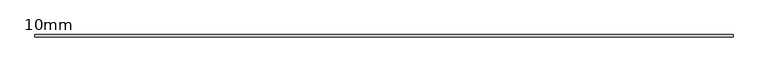
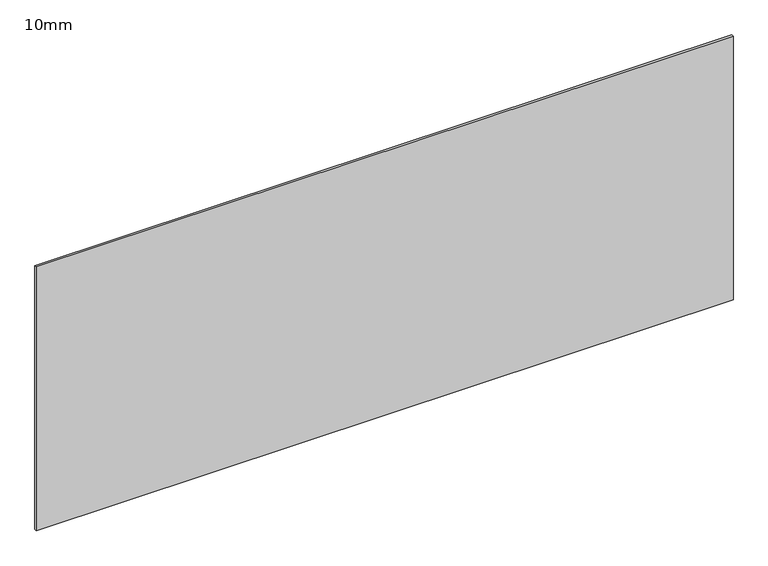
"""IFC4 building model written with IfcOpenShell, lengths in millimetres: plate geometry, 10mm."""

from ifc_helpers import new_model, si_unit, origin, origin_with_axes, place, context, project, spatial, polyline, outline, extrude, source, transform, mapped, element, save


def plate_10mm_845cc913(model_context):
    return source(origin(), model_context, "Body", "SweptSolid", [
        extrude(outline(polyline([(1525.0, 5.0), (1525.0, -5.0), (-1525.0, -5.0), (-1525.0, 5.0), (1525.0, 5.0)])), origin_with_axes(), (0.0, 0.0, 1.0), 1220.0),
    ])


if __name__ == "__main__":
    model = new_model("IFC4")
    model_context = context("Model", 3, world=origin())
    ifc_project = project(units=[si_unit("LENGTHUNIT", "METRE", prefix="MILLI")], contexts=[model_context])
    site = spatial("IfcSite", under=ifc_project)
    building = spatial("IfcBuilding", under=site)
    placement = place(None, origin())
    plate_10mm_shape = plate_10mm_845cc913(model_context)
    element("IfcPlate", 1, ObjectType="10mm", at=placement, inside=building, context=model_context, shape_type="MappedRepresentation", body=[
        mapped(plate_10mm_shape, transform((0.0, 0.0, 0.0), x_axis=(1.0, 0.0, 0.0), y_axis=(0.0, 1.0, 0.0), z_axis=(0.0, 0.0, 1.0))),
    ])
    save(model, "model.ifc")
